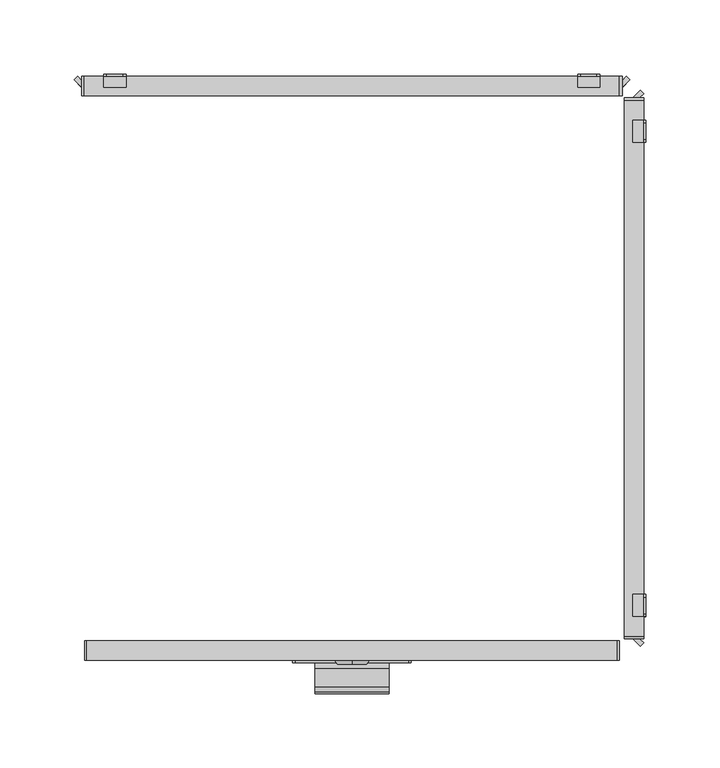
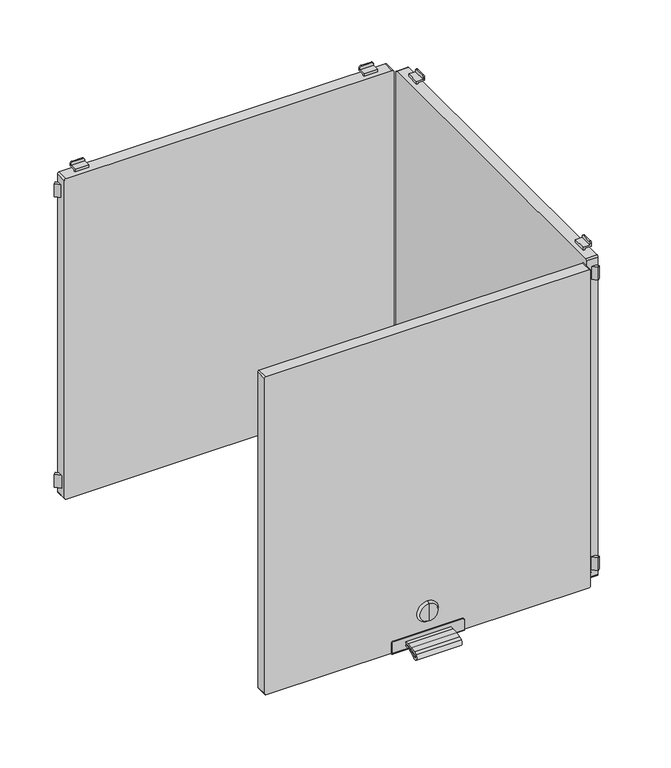
"""IFC4 building model written with IfcOpenShell, lengths in millimetres: furniture geometry."""

from ifc_helpers import new_model, si_unit, point, frame, frame_2d, origin, place, context, project, spatial, polyline, circle_curve, trimmed, segment, composite_curve, outline, extrude, source, transform, mapped, element, save
from ifc_brep_helpers import plane_surface, cylinder_surface, revolved_surface, advanced_brep


def furniture_8658e3e1(model_context):
    return source(origin(), model_context, "Body", "SolidModel", [
        extrude(outline(composite_curve([segment(polyline([(-202.226909, 530.4286545), (-198.5, 530.4286545), (-198.5, 528.5286545), (-202.226909, 528.5286545)]), True, "CONTINUOUS"), segment(trimmed(circle_curve(frame_2d((-202.226909, 486.4886922)), 42.0399623), [point((-202.226909, 528.5286545))], [point((-214.4555436, 526.710812))], True, "CARTESIAN"), True, "CONTINUOUS"), segment(trimmed(circle_curve(frame_2d((-212.0259096, 518.7193203)), 8.352668), [point((-214.4555436, 526.710812))], [point((-216.9670362, 525.4537341))], True, "CARTESIAN"), True, "CONTINUOUS"), segment(trimmed(circle_curve(frame_2d((-215.7726745, 523.8259018)), 2.0189943), [point((-216.9670362, 525.4537341))], [point((-214.4167634, 522.3299595))], True, "CARTESIAN"), True, "CONTINUOUS"), segment(trimmed(circle_curve(frame_2d((-202.2269079, 508.8812021)), 18.1510786), [point((-214.4167634, 522.3299595))], [point((-202.2269079, 527.0322806))], False, "CARTESIAN"), True, "CONTINUOUS"), segment(polyline([(-202.2269079, 527.0322806), (-198.5, 527.0322806), (-198.5, 525.1322806), (-202.2269079, 525.1322806)]), True, "CONTINUOUS"), segment(trimmed(circle_curve(frame_2d((-202.2269079, 508.8812021)), 16.2510786), [point((-202.2269079, 525.1322806))], [point((-213.1407662, 520.9221843))], True, "CARTESIAN"), True, "CONTINUOUS"), segment(trimmed(circle_curve(frame_2d((-215.7726745, 523.8259018)), 3.9189943), [point((-213.1407662, 520.9221843))], [point((-218.0910053, 526.9856263))], False, "CARTESIAN"), True, "CONTINUOUS"), segment(trimmed(circle_curve(frame_2d((-212.0259096, 518.7193203)), 10.252668), [point((-218.0910053, 526.9856263))], [point((-215.0082179, 528.5286545))], False, "CARTESIAN"), True, "CONTINUOUS"), segment(trimmed(circle_curve(frame_2d((-202.226909, 486.4886922)), 43.9399623), [point((-215.0082179, 528.5286545))], [point((-202.226909, 530.4286545))], False, "CARTESIAN"), True, "CONTINUOUS")], self_intersect=False)), frame((-25.0, 0.0, 0.0), z_axis=(1.0, 0.0, 0.0), x_axis=(0.0, 1.0, 0.0)), (0.0, 0.0, 1.0), 50.0),
        advanced_brep(
        [(0.0, -199.7, 556.6837841), (0.0, -199.7, 566.6265951), (0.0, -199.7, 546.740973), (0.0, -197.0, 544.8059292), (0.0, -197.0, 568.5616389), (0.0, -197.0, 556.6837841)],
        [
            (0, 1),
            (1, 2, circle_curve(frame((0.0, -199.7, 556.6837841), z_axis=(0.0, -1.0, 0.0), x_axis=(0.0, 0.0, 1.0)), 9.9428111)),
            (2, 0),
            (2, 1, circle_curve(frame((0.0, -199.7, 556.6837841), z_axis=(0.0, -1.0, 0.0), x_axis=(0.0, 0.0, 1.0)), 9.9428111)),
            (3, 4, circle_curve(frame((0.0, -197.0, 556.6837841), z_axis=(0.0, 1.0, 0.0), x_axis=(0.0, 0.0, 1.0)), 11.8778548)),
            (4, 5),
            (5, 3),
            (4, 3, circle_curve(frame((0.0, -197.0, 556.6837841), z_axis=(0.0, 1.0, 0.0), x_axis=(0.0, 0.0, 1.0)), 11.8778548)),
            (1, 4),
            (3, 2),
        ],
        [
            plane_surface(frame((0.0, -199.7, 556.6837841), z_axis=(0.0, -1.0, 0.0), x_axis=(0.0, 0.0, 1.0))),
            plane_surface(frame((0.0, -197.0, 556.6837841), z_axis=(0.0, 1.0, 0.0), x_axis=(0.0, 0.0, 1.0))),
            revolved_surface(polyline([(0.0, -197.0, 568.5616389), (0.0, -199.7, 566.6265951)]), (0.0, -202.2563621, 556.6837841), (0.0, -1.0, 0.0)),
        ],
        [
            (0, [[1, 2, 3]]),
            (0, [[-3, 4, -1]]),
            (1, [[5, 6, 7]]),
            (1, [[8, -7, -6]]),
            (2, [[-2, 9, -5, 10]]),
            (2, [[-4, -10, -8, -9]]),
        ],
    ),
        advanced_brep(
        [(38.2, -198.5, 535.0), (-38.2, -198.5, 535.0), (-40.0, -198.5, 533.2), (-40.0, -198.5, 522.0), (40.0, -198.5, 522.0), (40.0, -198.5, 533.2), (38.2, -197.0, 535.0), (40.0, -197.0, 533.2), (40.0, -197.0, 521.5), (-40.0, -197.0, 521.5), (-40.0, -197.0, 533.2), (-38.2, -197.0, 535.0), (-40.0, -184.0, 521.5), (-40.0, -184.0, 520.0), (-40.0, -196.5, 520.0), (40.0, -196.5, 520.0), (40.0, -184.0, 520.0), (40.0, -184.0, 521.5)],
        [
            (0, 1),
            (1, 2, circle_curve(frame((-38.2, -198.5, 533.2), z_axis=(0.0, -1.0, 0.0), x_axis=(1.0, 0.0, 0.0)), 1.8)),
            (2, 3),
            (3, 4),
            (4, 5),
            (5, 0, circle_curve(frame((38.2, -198.5, 533.2), z_axis=(0.0, -1.0, 0.0), x_axis=(1.0, 0.0, 0.0)), 1.8)),
            (6, 7, circle_curve(frame((38.2, -197.0, 533.2), z_axis=(0.0, 1.0, 0.0), x_axis=(1.0, 0.0, 0.0)), 1.8)),
            (7, 8),
            (8, 9),
            (9, 10),
            (10, 11, circle_curve(frame((-38.2, -197.0, 533.2), z_axis=(0.0, 1.0, 0.0), x_axis=(1.0, 0.0, 0.0)), 1.8)),
            (11, 6),
            (0, 6),
            (11, 1),
            (10, 2),
            (9, 12),
            (12, 13),
            (13, 14),
            (14, 3, circle_curve(frame((-40.0, -196.5, 522.0), z_axis=(-1.0, 0.0, 0.0), x_axis=(0.0, 1.0, 0.0)), 2.0)),
            (4, 15, circle_curve(frame((40.0, -196.5, 522.0), z_axis=(1.0, 0.0, 0.0), x_axis=(0.0, 1.0, 0.0)), 2.0)),
            (15, 16),
            (16, 17),
            (17, 8),
            (7, 5),
            (15, 14),
            (13, 16),
            (12, 17),
        ],
        [
            plane_surface(frame((-40.0, -198.5, 535.0), z_axis=(0.0, -1.0, 0.0), x_axis=(-1.0, 0.0, 0.0))),
            plane_surface(frame((-40.0, -197.0, 535.0), z_axis=(0.0, 1.0, 0.0), x_axis=(1.0, 0.0, 0.0))),
            plane_surface(frame((38.2, -198.5, 535.0), z_axis=(0.0, 0.0, 1.0), x_axis=(0.0, 1.0, 0.0))),
            cylinder_surface(frame((-38.2, -197.0, 533.2), z_axis=(0.0, -1.0, 0.0), x_axis=(1.0, 0.0, 0.0)), 1.8),
            plane_surface(frame((-40.0, -198.5, 533.2), z_axis=(-1.0, 0.0, 0.0), x_axis=(0.0, 1.0, 0.0))),
            plane_surface(frame((40.0, -198.5, 524.5), z_axis=(1.0, 0.0, 0.0), x_axis=(0.0, 1.0, 0.0))),
            cylinder_surface(frame((38.2, -197.0, 533.2), z_axis=(0.0, -1.0, 0.0), x_axis=(1.0, 0.0, 0.0)), 1.8),
            plane_surface(frame((40.0, -196.5, 520.0), z_axis=(0.0, 0.0, -1.0), x_axis=(-1.0, 0.0, 0.0))),
            plane_surface(frame((40.0, -184.0, 520.0), z_axis=(0.0, 1.0, 0.0), x_axis=(-1.0, 0.0, 0.0))),
            plane_surface(frame((40.0, -184.0, 521.5), z_axis=(0.0, 0.0, 1.0), x_axis=(-1.0, 0.0, 0.0))),
            cylinder_surface(frame((-40.0, -196.5, 522.0), z_axis=(1.0, 0.0, 0.0), x_axis=(0.0, 1.0, 0.0)), 2.0),
        ],
        [
            (0, [[1, 2, 3, 4, 5, 6]]),
            (1, [[7, 8, 9, 10, 11, 12]]),
            (2, [[-1, 13, -12, 14]]),
            (3, [[-2, -14, -11, 15]]),
            (4, [[-3, -15, -10, 16, 17, 18, 19]]),
            (5, [[-5, 20, 21, 22, 23, -8, 24]]),
            (6, [[-6, -24, -7, -13]]),
            (7, [[-21, 25, -18, 26]]),
            (8, [[-22, -26, -17, 27]]),
            (9, [[-23, -27, -16, -9]]),
            (10, [[-20, -4, -19, -25]]),
        ],
    ),
        extrude(outline(composite_curve([segment(polyline([(893.5, 179.0), (893.5, -179.0)]), True, "CONTINUOUS"), segment(trimmed(circle_curve(frame_2d((892.0, -179.0)), 1.5), [point((893.5, -179.0))], [point((892.0, -180.5))], False, "CARTESIAN"), True, "CONTINUOUS"), segment(polyline([(892.0, -180.5), (523.0, -180.5)]), True, "CONTINUOUS"), segment(trimmed(circle_curve(frame_2d((523.0, -179.0)), 1.5), [point((523.0, -180.5))], [point((521.5, -179.0))], False, "CARTESIAN"), True, "CONTINUOUS"), segment(polyline([(521.5, -179.0), (521.5, 179.0)]), True, "CONTINUOUS"), segment(trimmed(circle_curve(frame_2d((523.0, 179.0)), 1.5), [point((521.5, 179.0))], [point((523.0, 180.5))], False, "CARTESIAN"), True, "CONTINUOUS"), segment(polyline([(523.0, 180.5), (892.0, 180.5)]), True, "CONTINUOUS"), segment(trimmed(circle_curve(frame_2d((892.0, 179.0)), 1.5), [point((892.0, 180.5))], [point((893.5, 179.0))], False, "CARTESIAN"), True, "CONTINUOUS")], self_intersect=False)), frame((0.0, -197.0, 0.0), z_axis=(0.0, 1.0, 0.0), x_axis=(0.0, 0.0, 1.0)), (0.0, 0.0, 1.0), 13.0),
        advanced_brep(
        [(152.5, 197.0, 515.5), (154.5, 197.0, 513.5), (165.5, 197.0, 513.5), (167.5, 197.0, 515.5), (167.5, 197.0, 517.0), (152.5, 197.0, 517.0), (152.5, 198.5, 518.5), (167.5, 198.5, 518.5), (167.5, 198.5, 515.5), (165.5, 198.5, 513.5), (154.5, 198.5, 513.5), (152.5, 198.5, 515.5), (152.5, 189.5011497, 517.0), (152.5, 189.5011497, 520.0), (152.5, 191.0011497, 520.0), (152.5, 191.0011497, 518.5), (167.5, 191.0011497, 518.5), (167.5, 191.0011497, 520.0), (167.5, 189.5011497, 520.0), (167.5, 189.5011497, 517.0)],
        [
            (0, 1, circle_curve(frame((154.5, 197.0, 515.5), z_axis=(0.0, -1.0, 0.0), x_axis=(1.0, 0.0, 0.0)), 2.0)),
            (1, 2),
            (2, 3, circle_curve(frame((165.5, 197.0, 515.5), z_axis=(0.0, -1.0, 0.0), x_axis=(1.0, 0.0, 0.0)), 2.0)),
            (3, 4),
            (4, 5),
            (5, 0),
            (6, 7),
            (7, 8),
            (8, 9, circle_curve(frame((165.5, 198.5, 515.5), z_axis=(0.0, 1.0, 0.0), x_axis=(1.0, 0.0, 0.0)), 2.0)),
            (9, 10),
            (10, 11, circle_curve(frame((154.5, 198.5, 515.5), z_axis=(0.0, 1.0, 0.0), x_axis=(1.0, 0.0, 0.0)), 2.0)),
            (11, 6),
            (11, 0),
            (5, 12),
            (12, 13),
            (13, 14),
            (14, 15),
            (15, 6),
            (10, 1),
            (9, 2),
            (8, 3),
            (7, 16),
            (16, 17),
            (17, 18),
            (18, 19),
            (19, 4),
            (15, 16),
            (12, 19),
            (18, 13),
            (17, 14),
        ],
        [
            plane_surface(frame((152.5, 197.0, 517.0), z_axis=(0.0, -1.0, 0.0), x_axis=(0.0, 0.0, -1.0))),
            plane_surface(frame((152.5, 198.5, 517.0), z_axis=(0.0, 1.0, 0.0), x_axis=(0.0, 0.0, 1.0))),
            plane_surface(frame((152.5, 197.0, 518.5), z_axis=(-1.0, 0.0, 0.0), x_axis=(0.0, 1.0, 0.0))),
            cylinder_surface(frame((154.5, 198.5, 515.5), z_axis=(0.0, -1.0, 0.0), x_axis=(1.0, 0.0, 0.0)), 2.0),
            plane_surface(frame((154.5, 197.0, 513.5), z_axis=(0.0, 0.0, -1.0), x_axis=(0.0, 1.0, 0.0))),
            cylinder_surface(frame((165.5, 198.5, 515.5), z_axis=(0.0, -1.0, 0.0), x_axis=(1.0, 0.0, 0.0)), 2.0),
            plane_surface(frame((167.5, 197.0, 515.5), z_axis=(1.0, 0.0, 0.0), x_axis=(0.0, 1.0, 0.0))),
            plane_surface(frame((167.5, 197.0, 518.5), z_axis=(0.0, 0.0, 1.0), x_axis=(0.0, 1.0, 0.0))),
            plane_surface(frame((152.5, 189.5011497, 517.0), z_axis=(0.0, -1.0, 0.0), x_axis=(1.0, 0.0, 0.0))),
            plane_surface(frame((152.5, 189.5011497, 520.0), z_axis=(0.0, 0.0, 1.0), x_axis=(1.0, 0.0, 0.0))),
            plane_surface(frame((152.5, 191.0011497, 520.0), z_axis=(0.0, 1.0, 0.0), x_axis=(1.0, 0.0, 0.0))),
            plane_surface(frame((152.5, 197.0, 517.0), z_axis=(0.0, 0.0, -1.0), x_axis=(1.0, 0.0, 0.0))),
        ],
        [
            (0, [[1, 2, 3, 4, 5, 6]]),
            (1, [[7, 8, 9, 10, 11, 12]]),
            (2, [[-12, 13, -6, 14, 15, 16, 17, 18]]),
            (3, [[-1, -13, -11, 19]]),
            (4, [[-2, -19, -10, 20]]),
            (5, [[-3, -20, -9, 21]]),
            (6, [[-8, 22, 23, 24, 25, 26, -4, -21]]),
            (7, [[-22, -7, -18, 27]]),
            (8, [[-15, 28, -25, 29]]),
            (9, [[-16, -29, -24, 30]]),
            (10, [[-17, -30, -23, -27]]),
            (11, [[-14, -5, -26, -28]]),
        ],
    ),
        advanced_brep(
        [(-167.5, 197.0, 515.5), (-165.5, 197.0, 513.5), (-154.5, 197.0, 513.5), (-152.5, 197.0, 515.5), (-152.5, 197.0, 517.0), (-167.5, 197.0, 517.0), (-152.5, 198.5, 518.5), (-152.5, 198.5, 515.5), (-154.5, 198.5, 513.5), (-165.5, 198.5, 513.5), (-167.5, 198.5, 515.5), (-167.5, 198.5, 518.5), (-167.5, 191.0011497, 518.5), (-152.5, 191.0011497, 518.5), (-167.5, 189.5011497, 517.0), (-167.5, 189.5011497, 520.0), (-167.5, 191.0011497, 520.0), (-152.5, 191.0011497, 520.0), (-152.5, 189.5011497, 520.0), (-152.5, 189.5011497, 517.0)],
        [
            (0, 1, circle_curve(frame((-165.5, 197.0, 515.5), z_axis=(0.0, -1.0, 0.0), x_axis=(1.0, 0.0, 0.0)), 2.0)),
            (1, 2),
            (2, 3, circle_curve(frame((-154.5, 197.0, 515.5), z_axis=(0.0, -1.0, 0.0), x_axis=(1.0, 0.0, 0.0)), 2.0)),
            (3, 4),
            (4, 5),
            (5, 0),
            (6, 7),
            (7, 8, circle_curve(frame((-154.5, 198.5, 515.5), z_axis=(0.0, 1.0, 0.0), x_axis=(1.0, 0.0, 0.0)), 2.0)),
            (8, 9),
            (9, 10, circle_curve(frame((-165.5, 198.5, 515.5), z_axis=(0.0, 1.0, 0.0), x_axis=(1.0, 0.0, 0.0)), 2.0)),
            (10, 11),
            (11, 6),
            (11, 12),
            (12, 13),
            (13, 6),
            (10, 0),
            (5, 14),
            (14, 15),
            (15, 16),
            (16, 12),
            (9, 1),
            (8, 2),
            (7, 3),
            (13, 17),
            (17, 18),
            (18, 19),
            (19, 4),
            (18, 15),
            (14, 19),
            (17, 16),
        ],
        [
            plane_surface(frame((152.5, 197.0, 517.0), z_axis=(0.0, -1.0, 0.0), x_axis=(0.0, 0.0, -1.0))),
            plane_surface(frame((152.5, 198.5, 517.0), z_axis=(0.0, 1.0, 0.0), x_axis=(0.0, 0.0, 1.0))),
            plane_surface(frame((-152.5, 197.0, 518.5), z_axis=(0.0, 0.0, 1.0), x_axis=(0.0, 1.0, 0.0))),
            plane_surface(frame((-167.5, 197.0, 518.5), z_axis=(-1.0, 0.0, 0.0), x_axis=(0.0, 1.0, 0.0))),
            cylinder_surface(frame((-165.5, 200.0, 515.5), z_axis=(0.0, -1.0, 0.0), x_axis=(1.0, 0.0, 0.0)), 2.0),
            plane_surface(frame((-165.5, 197.0, 513.5), z_axis=(0.0, 0.0, -1.0), x_axis=(0.0, 1.0, 0.0))),
            cylinder_surface(frame((-154.5, 200.0, 515.5), z_axis=(0.0, -1.0, 0.0), x_axis=(1.0, 0.0, 0.0)), 2.0),
            plane_surface(frame((-152.5, 197.0, 515.5), z_axis=(1.0, 0.0, 0.0), x_axis=(0.0, 1.0, 0.0))),
            plane_surface(frame((-152.5, 189.5011497, 520.0), z_axis=(0.0, -1.0, 0.0), x_axis=(-1.0, 0.0, 0.0))),
            plane_surface(frame((-152.5, 191.0011497, 520.0), z_axis=(0.0, 0.0, 1.0), x_axis=(-1.0, 0.0, 0.0))),
            plane_surface(frame((-152.5, 191.0011497, 518.5), z_axis=(0.0, 1.0, 0.0), x_axis=(-1.0, 0.0, 0.0))),
            plane_surface(frame((-152.5, 189.5011497, 517.0), z_axis=(0.0, 0.0, -1.0), x_axis=(-1.0, 0.0, 0.0))),
        ],
        [
            (0, [[1, 2, 3, 4, 5, 6]]),
            (1, [[7, 8, 9, 10, 11, 12]]),
            (2, [[-12, 13, 14, 15]]),
            (3, [[-11, 16, -6, 17, 18, 19, 20, -13]]),
            (4, [[-1, -16, -10, 21]]),
            (5, [[-2, -21, -9, 22]]),
            (6, [[-3, -22, -8, 23]]),
            (7, [[-7, -15, 24, 25, 26, 27, -4, -23]]),
            (8, [[-26, 28, -18, 29]]),
            (9, [[-25, 30, -19, -28]]),
            (10, [[-24, -14, -20, -30]]),
            (11, [[-27, -29, -17, -5]]),
        ],
    ),
        advanced_brep(
        [(167.5, 197.0, 899.5), (165.5, 197.0, 901.5), (154.5, 197.0, 901.5), (152.5, 197.0, 899.5), (152.5, 197.0, 898.0), (167.5, 197.0, 898.0), (152.5, 198.5, 896.5), (152.5, 198.5, 899.5), (154.5, 198.5, 901.5), (165.5, 198.5, 901.5), (167.5, 198.5, 899.5), (167.5, 198.5, 896.5), (152.5, 189.5011497, 898.0), (152.5, 191.0011497, 896.5), (152.5, 191.0011497, 895.0), (152.5, 189.5011497, 895.0), (167.5, 189.5011497, 898.0), (167.5, 189.5011497, 895.0), (167.5, 191.0011497, 895.0), (167.5, 191.0011497, 896.5)],
        [
            (0, 1, circle_curve(frame((165.5, 197.0, 899.5), z_axis=(0.0, -1.0, 0.0), x_axis=(1.0, 0.0, 0.0)), 2.0)),
            (1, 2),
            (2, 3, circle_curve(frame((154.5, 197.0, 899.5), z_axis=(0.0, -1.0, 0.0), x_axis=(1.0, 0.0, 0.0)), 2.0)),
            (3, 4),
            (4, 5),
            (5, 0),
            (6, 7),
            (7, 8, circle_curve(frame((154.5, 198.5, 899.5), z_axis=(0.0, 1.0, 0.0), x_axis=(1.0, 0.0, 0.0)), 2.0)),
            (8, 9),
            (9, 10, circle_curve(frame((165.5, 198.5, 899.5), z_axis=(0.0, 1.0, 0.0), x_axis=(1.0, 0.0, 0.0)), 2.0)),
            (10, 11),
            (11, 6),
            (12, 4),
            (3, 7),
            (6, 13),
            (13, 14),
            (14, 15),
            (15, 12),
            (16, 17),
            (17, 18),
            (18, 19),
            (19, 11),
            (10, 0),
            (5, 16),
            (19, 13),
            (9, 1),
            (8, 2),
            (12, 16),
            (18, 14),
            (17, 15),
        ],
        [
            plane_surface(frame((152.5, 197.0, 517.0), z_axis=(0.0, -1.0, 0.0), x_axis=(0.0, 0.0, -1.0))),
            plane_surface(frame((152.5, 198.5, 517.0), z_axis=(0.0, 1.0, 0.0), x_axis=(0.0, 0.0, 1.0))),
            plane_surface(frame((152.5, 197.0, 518.5), z_axis=(-1.0, 0.0, 0.0), x_axis=(0.0, 1.0, 0.0))),
            plane_surface(frame((167.5, 197.0, 515.5), z_axis=(1.0, 0.0, 0.0), x_axis=(0.0, 1.0, 0.0))),
            plane_surface(frame((152.5, 197.0, 896.5), z_axis=(0.0, 0.0, -1.0), x_axis=(0.0, 1.0, 0.0))),
            cylinder_surface(frame((165.5, 200.0, 899.5), z_axis=(0.0, -1.0, 0.0), x_axis=(1.0, 0.0, 0.0)), 2.0),
            plane_surface(frame((165.5, 197.0, 901.5), z_axis=(0.0, 0.0, 1.0), x_axis=(0.0, 1.0, 0.0))),
            cylinder_surface(frame((154.5, 200.0, 899.5), z_axis=(0.0, -1.0, 0.0), x_axis=(1.0, 0.0, 0.0)), 2.0),
            plane_surface(frame((152.5, 189.5011497, 898.0), z_axis=(0.0, 0.0, 1.0), x_axis=(1.0, 0.0, 0.0))),
            plane_surface(frame((152.5, 191.0011497, 896.5), z_axis=(0.0, 1.0, 0.0), x_axis=(1.0, 0.0, 0.0))),
            plane_surface(frame((152.5, 191.0011497, 895.0), z_axis=(0.0, 0.0, -1.0), x_axis=(1.0, 0.0, 0.0))),
            plane_surface(frame((152.5, 189.5011497, 895.0), z_axis=(0.0, -1.0, 0.0), x_axis=(1.0, 0.0, 0.0))),
        ],
        [
            (0, [[1, 2, 3, 4, 5, 6]]),
            (1, [[7, 8, 9, 10, 11, 12]]),
            (2, [[13, -4, 14, -7, 15, 16, 17, 18]]),
            (3, [[19, 20, 21, 22, -11, 23, -6, 24]]),
            (4, [[-15, -12, -22, 25]]),
            (5, [[-1, -23, -10, 26]]),
            (6, [[-2, -26, -9, 27]]),
            (7, [[-3, -27, -8, -14]]),
            (8, [[-13, 28, -24, -5]]),
            (9, [[-16, -25, -21, 29]]),
            (10, [[-17, -29, -20, 30]]),
            (11, [[-18, -30, -19, -28]]),
        ],
    ),
        advanced_brep(
        [(-152.5, 197.0, 899.5), (-154.5, 197.0, 901.5), (-165.5, 197.0, 901.5), (-167.5, 197.0, 899.5), (-167.5, 197.0, 898.0), (-152.5, 197.0, 898.0), (-152.5, 198.5, 896.5), (-167.5, 198.5, 896.5), (-167.5, 198.5, 899.5), (-165.5, 198.5, 901.5), (-154.5, 198.5, 901.5), (-152.5, 198.5, 899.5), (-167.5, 191.0011497, 896.5), (-167.5, 191.0011497, 895.0), (-167.5, 189.5011497, 895.0), (-167.5, 189.5011497, 898.0), (-152.5, 189.5011497, 898.0), (-152.5, 189.5011497, 895.0), (-152.5, 191.0011497, 895.0), (-152.5, 191.0011497, 896.5)],
        [
            (0, 1, circle_curve(frame((-154.5, 197.0, 899.5), z_axis=(0.0, -1.0, 0.0), x_axis=(1.0, 0.0, 0.0)), 2.0)),
            (1, 2),
            (2, 3, circle_curve(frame((-165.5, 197.0, 899.5), z_axis=(0.0, -1.0, 0.0), x_axis=(1.0, 0.0, 0.0)), 2.0)),
            (3, 4),
            (4, 5),
            (5, 0),
            (6, 7),
            (7, 8),
            (8, 9, circle_curve(frame((-165.5, 198.5, 899.5), z_axis=(0.0, 1.0, 0.0), x_axis=(1.0, 0.0, 0.0)), 2.0)),
            (9, 10),
            (10, 11, circle_curve(frame((-154.5, 198.5, 899.5), z_axis=(0.0, 1.0, 0.0), x_axis=(1.0, 0.0, 0.0)), 2.0)),
            (11, 6),
            (7, 12),
            (12, 13),
            (13, 14),
            (14, 15),
            (15, 4),
            (3, 8),
            (11, 0),
            (5, 16),
            (16, 17),
            (17, 18),
            (18, 19),
            (19, 6),
            (10, 1),
            (9, 2),
            (19, 12),
            (15, 16),
            (18, 13),
            (17, 14),
        ],
        [
            plane_surface(frame((152.5, 197.0, 517.0), z_axis=(0.0, -1.0, 0.0), x_axis=(0.0, 0.0, -1.0))),
            plane_surface(frame((152.5, 198.5, 517.0), z_axis=(0.0, 1.0, 0.0), x_axis=(0.0, 0.0, 1.0))),
            plane_surface(frame((-167.5, 197.0, 518.5), z_axis=(-1.0, 0.0, 0.0), x_axis=(0.0, 1.0, 0.0))),
            plane_surface(frame((-152.5, 197.0, 515.5), z_axis=(1.0, 0.0, 0.0), x_axis=(0.0, 1.0, 0.0))),
            cylinder_surface(frame((-154.5, 200.0, 899.5), z_axis=(0.0, -1.0, 0.0), x_axis=(1.0, 0.0, 0.0)), 2.0),
            plane_surface(frame((-154.5, 197.0, 901.5), z_axis=(0.0, 0.0, 1.0), x_axis=(0.0, 1.0, 0.0))),
            cylinder_surface(frame((-165.5, 200.0, 899.5), z_axis=(0.0, -1.0, 0.0), x_axis=(1.0, 0.0, 0.0)), 2.0),
            plane_surface(frame((-167.5, 197.0, 896.5), z_axis=(0.0, 0.0, -1.0), x_axis=(0.0, 1.0, 0.0))),
            plane_surface(frame((-152.5, 197.0, 898.0), z_axis=(0.0, 0.0, 1.0), x_axis=(-1.0, 0.0, 0.0))),
            plane_surface(frame((-152.5, 191.0011497, 895.0), z_axis=(0.0, 1.0, 0.0), x_axis=(-1.0, 0.0, 0.0))),
            plane_surface(frame((-152.5, 189.5011497, 895.0), z_axis=(0.0, 0.0, -1.0), x_axis=(-1.0, 0.0, 0.0))),
            plane_surface(frame((-152.5, 189.5011497, 898.0), z_axis=(0.0, -1.0, 0.0), x_axis=(-1.0, 0.0, 0.0))),
        ],
        [
            (0, [[1, 2, 3, 4, 5, 6]]),
            (1, [[7, 8, 9, 10, 11, 12]]),
            (2, [[-8, 13, 14, 15, 16, 17, -4, 18]]),
            (3, [[-12, 19, -6, 20, 21, 22, 23, 24]]),
            (4, [[-1, -19, -11, 25]]),
            (5, [[-2, -25, -10, 26]]),
            (6, [[-3, -26, -9, -18]]),
            (7, [[-7, -24, 27, -13]]),
            (8, [[-20, -5, -17, 28]]),
            (9, [[-23, 29, -14, -27]]),
            (10, [[-22, 30, -15, -29]]),
            (11, [[-21, -28, -16, -30]]),
        ],
    ),
        extrude(outline(polyline([(-185.3223305, 197.0), (-182.5, 194.1776695), (-182.5, 189.5011497), (-187.6605904, 194.6617401), (-185.3223305, 197.0)])), frame((0.0, 0.0, 530.0), z_axis=(0.0, 0.0, 1.0), x_axis=(1.0, 0.0, 0.0)), (0.0, 0.0, 1.0), 15.0),
        extrude(outline(polyline([(185.3223305, 197.0), (187.6605904, 194.6617401), (182.5, 189.5011497), (182.5, 194.1776695), (185.3223305, 197.0)])), frame((0.0, 0.0, 530.0), z_axis=(0.0, 0.0, 1.0), x_axis=(1.0, 0.0, 0.0)), (0.0, 0.0, 1.0), 15.0),
        extrude(outline(composite_curve([segment(trimmed(circle_curve(frame_2d((893.2, 180.7)), 1.8), [point((893.2, 182.5))], [point((895.0, 180.7))], False, "CARTESIAN"), True, "CONTINUOUS"), segment(polyline([(895.0, 180.7), (895.0, -180.7)]), True, "CONTINUOUS"), segment(trimmed(circle_curve(frame_2d((893.2, -180.7)), 1.8), [point((895.0, -180.7))], [point((893.2, -182.5))], False, "CARTESIAN"), True, "CONTINUOUS"), segment(polyline([(893.2, -182.5), (521.8, -182.5)]), True, "CONTINUOUS"), segment(trimmed(circle_curve(frame_2d((521.8, -180.7)), 1.8), [point((521.8, -182.5))], [point((520.0, -180.7))], False, "CARTESIAN"), True, "CONTINUOUS"), segment(polyline([(520.0, -180.7), (520.0, 180.7)]), True, "CONTINUOUS"), segment(trimmed(circle_curve(frame_2d((521.8, 180.7)), 1.8), [point((520.0, 180.7))], [point((521.8, 182.5))], False, "CARTESIAN"), True, "CONTINUOUS"), segment(polyline([(521.8, 182.5), (893.2, 182.5)]), True, "CONTINUOUS")], self_intersect=False)), frame((0.0, 183.999795, 0.0), z_axis=(0.0, 1.0, 0.0), x_axis=(0.0, 0.0, 1.0)), (0.0, 0.0, 1.0), 13.000205),
        extrude(outline(polyline([(-185.3223305, 197.0), (-182.5, 194.1776695), (-182.5, 189.5011497), (-187.6605904, 194.6617401), (-185.3223305, 197.0)])), frame((0.0, 0.0, 870.0), z_axis=(0.0, 0.0, 1.0), x_axis=(1.0, 0.0, 0.0)), (0.0, 0.0, 1.0), 15.0),
        extrude(outline(polyline([(185.3223305, 197.0), (187.6605904, 194.6617401), (182.5, 189.5011497), (182.5, 194.1776695), (185.3223305, 197.0)])), frame((0.0, 0.0, 870.0), z_axis=(0.0, 0.0, 1.0), x_axis=(1.0, 0.0, 0.0)), (0.0, 0.0, 1.0), 15.0),
        advanced_brep(
        [(197.0, 152.5, 515.5), (197.0, 152.5, 517.0), (197.0, 167.5, 517.0), (197.0, 167.5, 515.5), (197.0, 165.5, 513.5), (197.0, 154.5, 513.5), (198.5, 152.5, 518.5), (198.5, 152.5, 515.5), (198.5, 154.5, 513.5), (198.5, 165.5, 513.5), (198.5, 167.5, 515.5), (198.5, 167.5, 518.5), (191.0011497, 152.5, 518.5), (191.0011497, 152.5, 520.0), (189.5011497, 152.5, 520.0), (189.5011497, 152.5, 517.0), (189.5011497, 167.5, 517.0), (189.5011497, 167.5, 520.0), (191.0011497, 167.5, 520.0), (191.0011497, 167.5, 518.5)],
        [
            (0, 1),
            (1, 2),
            (2, 3),
            (3, 4, circle_curve(frame((197.0, 165.5, 515.5), z_axis=(-1.0, 0.0, 0.0), x_axis=(0.0, 1.0, 0.0)), 2.0)),
            (4, 5),
            (5, 0, circle_curve(frame((197.0, 154.5, 515.5), z_axis=(-1.0, 0.0, 0.0), x_axis=(0.0, 1.0, 0.0)), 2.0)),
            (6, 7),
            (7, 8, circle_curve(frame((198.5, 154.5, 515.5), z_axis=(1.0, 0.0, 0.0), x_axis=(0.0, 1.0, 0.0)), 2.0)),
            (8, 9),
            (9, 10, circle_curve(frame((198.5, 165.5, 515.5), z_axis=(1.0, 0.0, 0.0), x_axis=(0.0, 1.0, 0.0)), 2.0)),
            (10, 11),
            (11, 6),
            (6, 12),
            (12, 13),
            (13, 14),
            (14, 15),
            (15, 1),
            (0, 7),
            (5, 8),
            (4, 9),
            (3, 10),
            (2, 16),
            (16, 17),
            (17, 18),
            (18, 19),
            (19, 11),
            (19, 12),
            (14, 17),
            (16, 15),
            (13, 18),
        ],
        [
            plane_surface(frame((197.0, 152.5, 517.0), z_axis=(-1.0, 0.0, 0.0), x_axis=(0.0, 0.0, -1.0))),
            plane_surface(frame((198.5, 152.5, 517.0), z_axis=(1.0, 0.0, 0.0), x_axis=(0.0, 0.0, 1.0))),
            plane_surface(frame((197.0, 152.5, 518.5), z_axis=(0.0, -1.0, 0.0), x_axis=(1.0, 0.0, 0.0))),
            cylinder_surface(frame((198.5, 154.5, 515.5), z_axis=(-1.0, 0.0, 0.0), x_axis=(0.0, 1.0, 0.0)), 2.0),
            plane_surface(frame((197.0, 154.5, 513.5), z_axis=(0.0, 0.0, -1.0), x_axis=(1.0, 0.0, 0.0))),
            cylinder_surface(frame((198.5, 165.5, 515.5), z_axis=(-1.0, 0.0, 0.0), x_axis=(0.0, 1.0, 0.0)), 2.0),
            plane_surface(frame((197.0, 167.5, 515.5), z_axis=(0.0, 1.0, 0.0), x_axis=(1.0, 0.0, 0.0))),
            plane_surface(frame((197.0, 167.5, 518.5), z_axis=(0.0, 0.0, 1.0), x_axis=(1.0, 0.0, 0.0))),
            plane_surface(frame((189.5011497, 152.5, 517.0), z_axis=(-1.0, 0.0, 0.0), x_axis=(0.0, 1.0, 0.0))),
            plane_surface(frame((189.5011497, 152.5, 520.0), z_axis=(0.0, 0.0, 1.0), x_axis=(0.0, 1.0, 0.0))),
            plane_surface(frame((191.0011497, 152.5, 520.0), z_axis=(1.0, 0.0, 0.0), x_axis=(0.0, 1.0, 0.0))),
            plane_surface(frame((197.0, 152.5, 517.0), z_axis=(0.0, 0.0, -1.0), x_axis=(0.0, 1.0, 0.0))),
        ],
        [
            (0, [[1, 2, 3, 4, 5, 6]]),
            (1, [[7, 8, 9, 10, 11, 12]]),
            (2, [[13, 14, 15, 16, 17, -1, 18, -7]]),
            (3, [[19, -8, -18, -6]]),
            (4, [[20, -9, -19, -5]]),
            (5, [[21, -10, -20, -4]]),
            (6, [[-21, -3, 22, 23, 24, 25, 26, -11]]),
            (7, [[27, -13, -12, -26]]),
            (8, [[28, -23, 29, -16]]),
            (9, [[30, -24, -28, -15]]),
            (10, [[-27, -25, -30, -14]]),
            (11, [[-29, -22, -2, -17]]),
        ],
    ),
        advanced_brep(
        [(197.0, -167.5, 515.5), (197.0, -167.5, 517.0), (197.0, -152.5, 517.0), (197.0, -152.5, 515.5), (197.0, -154.5, 513.5), (197.0, -165.5, 513.5), (198.5, -152.5, 518.5), (198.5, -167.5, 518.5), (198.5, -167.5, 515.5), (198.5, -165.5, 513.5), (198.5, -154.5, 513.5), (198.5, -152.5, 515.5), (191.0011497, -152.5, 518.5), (191.0011497, -167.5, 518.5), (191.0011497, -167.5, 520.0), (189.5011497, -167.5, 520.0), (189.5011497, -167.5, 517.0), (189.5011497, -152.5, 517.0), (189.5011497, -152.5, 520.0), (191.0011497, -152.5, 520.0)],
        [
            (0, 1),
            (1, 2),
            (2, 3),
            (3, 4, circle_curve(frame((197.0, -154.5, 515.5), z_axis=(-1.0, 0.0, 0.0), x_axis=(0.0, 1.0, 0.0)), 2.0)),
            (4, 5),
            (5, 0, circle_curve(frame((197.0, -165.5, 515.5), z_axis=(-1.0, 0.0, 0.0), x_axis=(0.0, 1.0, 0.0)), 2.0)),
            (6, 7),
            (7, 8),
            (8, 9, circle_curve(frame((198.5, -165.5, 515.5), z_axis=(1.0, 0.0, 0.0), x_axis=(0.0, 1.0, 0.0)), 2.0)),
            (9, 10),
            (10, 11, circle_curve(frame((198.5, -154.5, 515.5), z_axis=(1.0, 0.0, 0.0), x_axis=(0.0, 1.0, 0.0)), 2.0)),
            (11, 6),
            (6, 12),
            (12, 13),
            (13, 7),
            (13, 14),
            (14, 15),
            (15, 16),
            (16, 1),
            (0, 8),
            (5, 9),
            (4, 10),
            (3, 11),
            (2, 17),
            (17, 18),
            (18, 19),
            (19, 12),
            (17, 16),
            (15, 18),
            (14, 19),
        ],
        [
            plane_surface(frame((197.0, 152.5, 517.0), z_axis=(-1.0, 0.0, 0.0), x_axis=(0.0, 0.0, -1.0))),
            plane_surface(frame((198.5, 152.5, 517.0), z_axis=(1.0, 0.0, 0.0), x_axis=(0.0, 0.0, 1.0))),
            plane_surface(frame((197.0, -152.5, 518.5), z_axis=(0.0, 0.0, 1.0), x_axis=(1.0, 0.0, 0.0))),
            plane_surface(frame((197.0, -167.5, 518.5), z_axis=(0.0, -1.0, 0.0), x_axis=(1.0, 0.0, 0.0))),
            cylinder_surface(frame((200.0, -165.5, 515.5), z_axis=(-1.0, 0.0, 0.0), x_axis=(0.0, 1.0, 0.0)), 2.0),
            plane_surface(frame((197.0, -165.5, 513.5), z_axis=(0.0, 0.0, -1.0), x_axis=(1.0, 0.0, 0.0))),
            cylinder_surface(frame((200.0, -154.5, 515.5), z_axis=(-1.0, 0.0, 0.0), x_axis=(0.0, 1.0, 0.0)), 2.0),
            plane_surface(frame((197.0, -152.5, 515.5), z_axis=(0.0, 1.0, 0.0), x_axis=(1.0, 0.0, 0.0))),
            plane_surface(frame((189.5011497, -152.5, 520.0), z_axis=(-1.0, 0.0, 0.0), x_axis=(0.0, -1.0, 0.0))),
            plane_surface(frame((191.0011497, -152.5, 520.0), z_axis=(0.0, 0.0, 1.0), x_axis=(0.0, -1.0, 0.0))),
            plane_surface(frame((191.0011497, -152.5, 518.5), z_axis=(1.0, 0.0, 0.0), x_axis=(0.0, -1.0, 0.0))),
            plane_surface(frame((189.5011497, -152.5, 517.0), z_axis=(0.0, 0.0, -1.0), x_axis=(0.0, -1.0, 0.0))),
        ],
        [
            (0, [[1, 2, 3, 4, 5, 6]]),
            (1, [[7, 8, 9, 10, 11, 12]]),
            (2, [[13, 14, 15, -7]]),
            (3, [[-15, 16, 17, 18, 19, -1, 20, -8]]),
            (4, [[21, -9, -20, -6]]),
            (5, [[22, -10, -21, -5]]),
            (6, [[23, -11, -22, -4]]),
            (7, [[-23, -3, 24, 25, 26, 27, -13, -12]]),
            (8, [[28, -18, 29, -25]]),
            (9, [[-29, -17, 30, -26]]),
            (10, [[-30, -16, -14, -27]]),
            (11, [[-2, -19, -28, -24]]),
        ],
    ),
        advanced_brep(
        [(197.0, 167.5, 899.5), (197.0, 167.5, 898.0), (197.0, 152.5, 898.0), (197.0, 152.5, 899.5), (197.0, 154.5, 901.5), (197.0, 165.5, 901.5), (198.5, 152.5, 896.5), (198.5, 167.5, 896.5), (198.5, 167.5, 899.5), (198.5, 165.5, 901.5), (198.5, 154.5, 901.5), (198.5, 152.5, 899.5), (189.5011497, 152.5, 898.0), (189.5011497, 152.5, 895.0), (191.0011497, 152.5, 895.0), (191.0011497, 152.5, 896.5), (189.5011497, 167.5, 898.0), (191.0011497, 167.5, 896.5), (191.0011497, 167.5, 895.0), (189.5011497, 167.5, 895.0)],
        [
            (0, 1),
            (1, 2),
            (2, 3),
            (3, 4, circle_curve(frame((197.0, 154.5, 899.5), z_axis=(-1.0, 0.0, 0.0), x_axis=(0.0, 1.0, 0.0)), 2.0)),
            (4, 5),
            (5, 0, circle_curve(frame((197.0, 165.5, 899.5), z_axis=(-1.0, 0.0, 0.0), x_axis=(0.0, 1.0, 0.0)), 2.0)),
            (6, 7),
            (7, 8),
            (8, 9, circle_curve(frame((198.5, 165.5, 899.5), z_axis=(1.0, 0.0, 0.0), x_axis=(0.0, 1.0, 0.0)), 2.0)),
            (9, 10),
            (10, 11, circle_curve(frame((198.5, 154.5, 899.5), z_axis=(1.0, 0.0, 0.0), x_axis=(0.0, 1.0, 0.0)), 2.0)),
            (11, 6),
            (12, 13),
            (13, 14),
            (14, 15),
            (15, 6),
            (11, 3),
            (2, 12),
            (16, 1),
            (0, 8),
            (7, 17),
            (17, 18),
            (18, 19),
            (19, 16),
            (15, 17),
            (5, 9),
            (4, 10),
            (16, 12),
            (14, 18),
            (13, 19),
        ],
        [
            plane_surface(frame((197.0, 152.5, 517.0), z_axis=(-1.0, 0.0, 0.0), x_axis=(0.0, 0.0, -1.0))),
            plane_surface(frame((198.5, 152.5, 517.0), z_axis=(1.0, 0.0, 0.0), x_axis=(0.0, 0.0, 1.0))),
            plane_surface(frame((197.0, 152.5, 518.5), z_axis=(0.0, -1.0, 0.0), x_axis=(1.0, 0.0, 0.0))),
            plane_surface(frame((197.0, 167.5, 515.5), z_axis=(0.0, 1.0, 0.0), x_axis=(1.0, 0.0, 0.0))),
            plane_surface(frame((197.0, 152.5, 896.5), z_axis=(0.0, 0.0, -1.0), x_axis=(1.0, 0.0, 0.0))),
            cylinder_surface(frame((200.0, 165.5, 899.5), z_axis=(-1.0, 0.0, 0.0), x_axis=(0.0, 1.0, 0.0)), 2.0),
            plane_surface(frame((197.0, 165.5, 901.5), z_axis=(0.0, 0.0, 1.0), x_axis=(1.0, 0.0, 0.0))),
            cylinder_surface(frame((200.0, 154.5, 899.5), z_axis=(-1.0, 0.0, 0.0), x_axis=(0.0, 1.0, 0.0)), 2.0),
            plane_surface(frame((189.5011497, 152.5, 898.0), z_axis=(0.0, 0.0, 1.0), x_axis=(0.0, 1.0, 0.0))),
            plane_surface(frame((191.0011497, 152.5, 896.5), z_axis=(1.0, 0.0, 0.0), x_axis=(0.0, 1.0, 0.0))),
            plane_surface(frame((191.0011497, 152.5, 895.0), z_axis=(0.0, 0.0, -1.0), x_axis=(0.0, 1.0, 0.0))),
            plane_surface(frame((189.5011497, 152.5, 895.0), z_axis=(-1.0, 0.0, 0.0), x_axis=(0.0, 1.0, 0.0))),
        ],
        [
            (0, [[1, 2, 3, 4, 5, 6]]),
            (1, [[7, 8, 9, 10, 11, 12]]),
            (2, [[13, 14, 15, 16, -12, 17, -3, 18]]),
            (3, [[19, -1, 20, -8, 21, 22, 23, 24]]),
            (4, [[25, -21, -7, -16]]),
            (5, [[26, -9, -20, -6]]),
            (6, [[27, -10, -26, -5]]),
            (7, [[-17, -11, -27, -4]]),
            (8, [[-2, -19, 28, -18]]),
            (9, [[29, -22, -25, -15]]),
            (10, [[30, -23, -29, -14]]),
            (11, [[-28, -24, -30, -13]]),
        ],
    ),
        advanced_brep(
        [(197.0, -152.5, 899.5), (197.0, -152.5, 898.0), (197.0, -167.5, 898.0), (197.0, -167.5, 899.5), (197.0, -165.5, 901.5), (197.0, -154.5, 901.5), (198.5, -152.5, 896.5), (198.5, -152.5, 899.5), (198.5, -154.5, 901.5), (198.5, -165.5, 901.5), (198.5, -167.5, 899.5), (198.5, -167.5, 896.5), (189.5011497, -167.5, 898.0), (189.5011497, -167.5, 895.0), (191.0011497, -167.5, 895.0), (191.0011497, -167.5, 896.5), (191.0011497, -152.5, 896.5), (191.0011497, -152.5, 895.0), (189.5011497, -152.5, 895.0), (189.5011497, -152.5, 898.0)],
        [
            (0, 1),
            (1, 2),
            (2, 3),
            (3, 4, circle_curve(frame((197.0, -165.5, 899.5), z_axis=(-1.0, 0.0, 0.0), x_axis=(0.0, 1.0, 0.0)), 2.0)),
            (4, 5),
            (5, 0, circle_curve(frame((197.0, -154.5, 899.5), z_axis=(-1.0, 0.0, 0.0), x_axis=(0.0, 1.0, 0.0)), 2.0)),
            (6, 7),
            (7, 8, circle_curve(frame((198.5, -154.5, 899.5), z_axis=(1.0, 0.0, 0.0), x_axis=(0.0, 1.0, 0.0)), 2.0)),
            (8, 9),
            (9, 10, circle_curve(frame((198.5, -165.5, 899.5), z_axis=(1.0, 0.0, 0.0), x_axis=(0.0, 1.0, 0.0)), 2.0)),
            (10, 11),
            (11, 6),
            (10, 3),
            (2, 12),
            (12, 13),
            (13, 14),
            (14, 15),
            (15, 11),
            (6, 16),
            (16, 17),
            (17, 18),
            (18, 19),
            (19, 1),
            (0, 7),
            (5, 8),
            (4, 9),
            (15, 16),
            (19, 12),
            (14, 17),
            (13, 18),
        ],
        [
            plane_surface(frame((197.0, 152.5, 517.0), z_axis=(-1.0, 0.0, 0.0), x_axis=(0.0, 0.0, -1.0))),
            plane_surface(frame((198.5, 152.5, 517.0), z_axis=(1.0, 0.0, 0.0), x_axis=(0.0, 0.0, 1.0))),
            plane_surface(frame((197.0, -167.5, 518.5), z_axis=(0.0, -1.0, 0.0), x_axis=(1.0, 0.0, 0.0))),
            plane_surface(frame((197.0, -152.5, 515.5), z_axis=(0.0, 1.0, 0.0), x_axis=(1.0, 0.0, 0.0))),
            cylinder_surface(frame((200.0, -154.5, 899.5), z_axis=(-1.0, 0.0, 0.0), x_axis=(0.0, 1.0, 0.0)), 2.0),
            plane_surface(frame((197.0, -154.5, 901.5), z_axis=(0.0, 0.0, 1.0), x_axis=(1.0, 0.0, 0.0))),
            cylinder_surface(frame((200.0, -165.5, 899.5), z_axis=(-1.0, 0.0, 0.0), x_axis=(0.0, 1.0, 0.0)), 2.0),
            plane_surface(frame((197.0, -167.5, 896.5), z_axis=(0.0, 0.0, -1.0), x_axis=(1.0, 0.0, 0.0))),
            plane_surface(frame((197.0, -152.5, 898.0), z_axis=(0.0, 0.0, 1.0), x_axis=(0.0, -1.0, 0.0))),
            plane_surface(frame((191.0011497, -152.5, 895.0), z_axis=(1.0, 0.0, 0.0), x_axis=(0.0, -1.0, 0.0))),
            plane_surface(frame((189.5011497, -152.5, 895.0), z_axis=(0.0, 0.0, -1.0), x_axis=(0.0, -1.0, 0.0))),
            plane_surface(frame((189.5011497, -152.5, 898.0), z_axis=(-1.0, 0.0, 0.0), x_axis=(0.0, -1.0, 0.0))),
        ],
        [
            (0, [[1, 2, 3, 4, 5, 6]]),
            (1, [[7, 8, 9, 10, 11, 12]]),
            (2, [[13, -3, 14, 15, 16, 17, 18, -11]]),
            (3, [[19, 20, 21, 22, 23, -1, 24, -7]]),
            (4, [[25, -8, -24, -6]]),
            (5, [[26, -9, -25, -5]]),
            (6, [[-13, -10, -26, -4]]),
            (7, [[-18, 27, -19, -12]]),
            (8, [[28, -14, -2, -23]]),
            (9, [[-27, -17, 29, -20]]),
            (10, [[-29, -16, 30, -21]]),
            (11, [[-30, -15, -28, -22]]),
        ],
    ),
        extrude(outline(polyline([(197.0, 185.3223305), (194.1776695, 182.5), (189.5011497, 182.5), (194.6617401, 187.6605904), (197.0, 185.3223305)])), frame((0.0, 0.0, 530.0), z_axis=(0.0, 0.0, 1.0), x_axis=(1.0, 0.0, 0.0)), (0.0, 0.0, 1.0), 15.0),
        extrude(outline(polyline([(197.0, -185.3223305), (194.6617401, -187.6605904), (189.5011497, -182.5), (194.1776695, -182.5), (197.0, -185.3223305)])), frame((0.0, 0.0, 530.0), z_axis=(0.0, 0.0, 1.0), x_axis=(1.0, 0.0, 0.0)), (0.0, 0.0, 1.0), 15.0),
        extrude(outline(composite_curve([segment(polyline([(182.5, 893.2), (182.5, 521.8)]), True, "CONTINUOUS"), segment(trimmed(circle_curve(frame_2d((180.7, 521.8)), 1.8), [point((182.5, 521.8))], [point((180.7, 520.0))], False, "CARTESIAN"), True, "CONTINUOUS"), segment(polyline([(180.7, 520.0), (-180.7, 520.0)]), True, "CONTINUOUS"), segment(trimmed(circle_curve(frame_2d((-180.7, 521.8)), 1.8), [point((-180.7, 520.0))], [point((-182.5, 521.8))], False, "CARTESIAN"), True, "CONTINUOUS"), segment(polyline([(-182.5, 521.8), (-182.5, 893.2)]), True, "CONTINUOUS"), segment(trimmed(circle_curve(frame_2d((-180.7, 893.2)), 1.8), [point((-182.5, 893.2))], [point((-180.7, 895.0))], False, "CARTESIAN"), True, "CONTINUOUS"), segment(polyline([(-180.7, 895.0), (180.7, 895.0)]), True, "CONTINUOUS"), segment(trimmed(circle_curve(frame_2d((180.7, 893.2)), 1.8), [point((180.7, 895.0))], [point((182.5, 893.2))], False, "CARTESIAN"), True, "CONTINUOUS")], self_intersect=False)), frame((183.999795, 0.0, 0.0), z_axis=(1.0, 0.0, 0.0), x_axis=(0.0, 1.0, 0.0)), (0.0, 0.0, 1.0), 13.000205),
        extrude(outline(polyline([(197.0, 185.3223305), (194.1776695, 182.5), (189.5011497, 182.5), (194.6617401, 187.6605904), (197.0, 185.3223305)])), frame((0.0, 0.0, 870.0), z_axis=(0.0, 0.0, 1.0), x_axis=(1.0, 0.0, 0.0)), (0.0, 0.0, 1.0), 15.0),
        extrude(outline(polyline([(197.0, -185.3223305), (194.6617401, -187.6605904), (189.5011497, -182.5), (194.1776695, -182.5), (197.0, -185.3223305)])), frame((0.0, 0.0, 870.0), z_axis=(0.0, 0.0, 1.0), x_axis=(1.0, 0.0, 0.0)), (0.0, 0.0, 1.0), 15.0),
    ])


if __name__ == "__main__":
    model = new_model("IFC4")
    model_context = context("Model", 3, world=origin())
    ifc_project = project(units=[si_unit("LENGTHUNIT", "METRE", prefix="MILLI")], contexts=[model_context])
    site = spatial("IfcSite", under=ifc_project)
    building = spatial("IfcBuilding", under=site)
    placement = place(None, origin())
    furniture_shape = furniture_8658e3e1(model_context)
    element("IfcFurniture", 1, at=placement, inside=building, context=model_context, shape_type="MappedRepresentation", body=[
        mapped(furniture_shape, transform((0.0, 0.0, 0.0), x_axis=(1.0, 0.0, 0.0), y_axis=(0.0, 1.0, 0.0), z_axis=(0.0, 0.0, 1.0))),
    ])
    save(model, "model.ifc")
